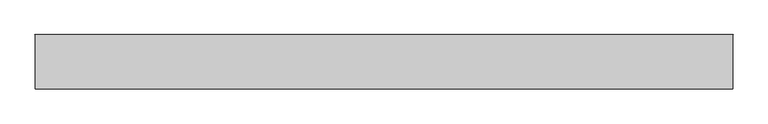
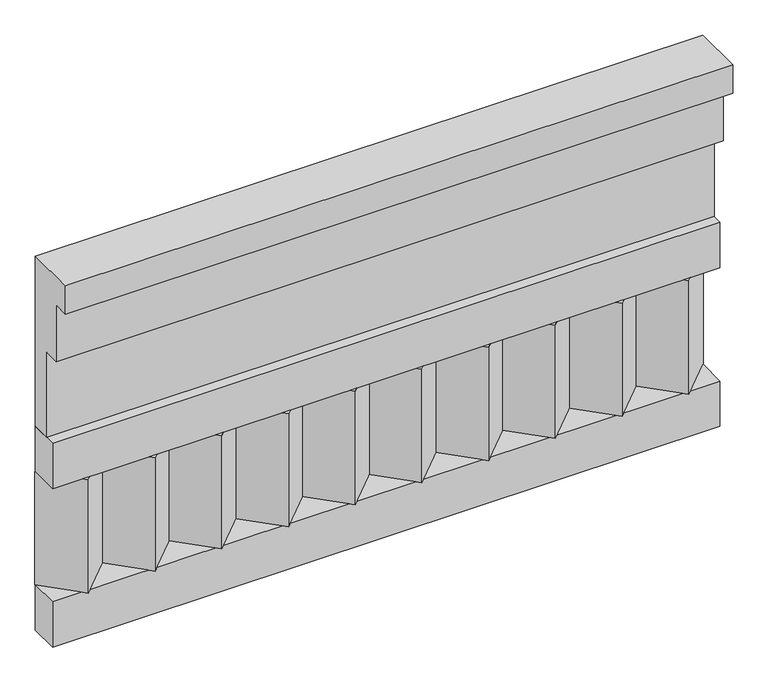
"""IFC4 building model written with IfcOpenShell, lengths in millimetres: railing geometry."""

from ifc_helpers import new_model, si_unit, frame, origin, place, context, project, spatial, polyline, outline, extrude, source, transform, mapped, element, save


def railing_bbb2165e(model_context):
    return source(origin(), model_context, "Body", "SweptSolid", [
        extrude(outline(polyline([(-16816.8920513, 21800.0), (-16816.8920513, 21350.0), (-16866.8920513, 21350.0), (-16866.8920513, 21575.0), (-16906.8920513, 21575.0), (-16906.8920513, 21725.0), (-16946.8920513, 21725.0), (-16946.8920513, 21800.0), (-16816.8920513, 21800.0)])), frame((-5539.9887159, 0.0, 0.0), z_axis=(1.0, 0.0, 0.0), x_axis=(0.0, 1.0, 0.0)), (0.0, 0.0, 1.0), 1670.0),
        extrude(outline(polyline([(-5539.9887159, -16891.8920513), (-5539.9887159, -16816.8920513), (-3869.9887159, -16816.8920513), (-3869.9887159, -16891.8920513), (-5539.9887159, -16891.8920513)])), frame((0.0, 0.0, 21230.0), z_axis=(0.0, 0.0, 1.0), x_axis=(1.0, 0.0, 0.0)), (0.0, 0.0, 1.0), 120.0),
        extrude(outline(polyline([(-5539.9887159, -16891.8920513), (-5539.9887159, -16816.8920513), (-3869.9887159, -16816.8920513), (-3869.9887159, -16891.8920513), (-5539.9887159, -16891.8920513)])), frame((0.0, 0.0, 20810.0), z_axis=(0.0, 0.0, 1.0), x_axis=(1.0, 0.0, 0.0)), (0.0, 0.0, 1.0), 120.0),
        extrude(outline(polyline([(-3953.4887159, -16901.7448651), (-4038.3415296, -16816.8920513), (-3868.6359022, -16816.8920513), (-3953.4887159, -16901.7448651)])), frame((0.0, 0.0, 20930.0), z_axis=(0.0, 0.0, 1.0), x_axis=(1.0, 0.0, 0.0)), (0.0, 0.0, 1.0), 300.0),
        extrude(outline(polyline([(-4120.4887159, -16901.7448651), (-4205.3415296, -16816.8920513), (-4035.6359022, -16816.8920513), (-4120.4887159, -16901.7448651)])), frame((0.0, 0.0, 20930.0), z_axis=(0.0, 0.0, 1.0), x_axis=(1.0, 0.0, 0.0)), (0.0, 0.0, 1.0), 300.0),
        extrude(outline(polyline([(-4287.4887159, -16901.7448651), (-4372.3415296, -16816.8920513), (-4202.6359022, -16816.8920513), (-4287.4887159, -16901.7448651)])), frame((0.0, 0.0, 20930.0), z_axis=(0.0, 0.0, 1.0), x_axis=(1.0, 0.0, 0.0)), (0.0, 0.0, 1.0), 300.0),
        extrude(outline(polyline([(-4454.4887159, -16901.7448651), (-4539.3415296, -16816.8920513), (-4369.6359022, -16816.8920513), (-4454.4887159, -16901.7448651)])), frame((0.0, 0.0, 20930.0), z_axis=(0.0, 0.0, 1.0), x_axis=(1.0, 0.0, 0.0)), (0.0, 0.0, 1.0), 300.0),
        extrude(outline(polyline([(-4621.4887159, -16901.7448651), (-4706.3415296, -16816.8920513), (-4536.6359022, -16816.8920513), (-4621.4887159, -16901.7448651)])), frame((0.0, 0.0, 20930.0), z_axis=(0.0, 0.0, 1.0), x_axis=(1.0, 0.0, 0.0)), (0.0, 0.0, 1.0), 300.0),
        extrude(outline(polyline([(-4788.4887159, -16901.7448651), (-4873.3415296, -16816.8920513), (-4703.6359022, -16816.8920513), (-4788.4887159, -16901.7448651)])), frame((0.0, 0.0, 20930.0), z_axis=(0.0, 0.0, 1.0), x_axis=(1.0, 0.0, 0.0)), (0.0, 0.0, 1.0), 300.0),
        extrude(outline(polyline([(-4955.4887159, -16901.7448651), (-5040.3415296, -16816.8920513), (-4870.6359022, -16816.8920513), (-4955.4887159, -16901.7448651)])), frame((0.0, 0.0, 20930.0), z_axis=(0.0, 0.0, 1.0), x_axis=(1.0, 0.0, 0.0)), (0.0, 0.0, 1.0), 300.0),
        extrude(outline(polyline([(-5122.4887159, -16901.7448651), (-5207.3415296, -16816.8920513), (-5037.6359022, -16816.8920513), (-5122.4887159, -16901.7448651)])), frame((0.0, 0.0, 20930.0), z_axis=(0.0, 0.0, 1.0), x_axis=(1.0, 0.0, 0.0)), (0.0, 0.0, 1.0), 300.0),
        extrude(outline(polyline([(-5289.4887159, -16901.7448651), (-5374.3415296, -16816.8920513), (-5204.6359022, -16816.8920513), (-5289.4887159, -16901.7448651)])), frame((0.0, 0.0, 20930.0), z_axis=(0.0, 0.0, 1.0), x_axis=(1.0, 0.0, 0.0)), (0.0, 0.0, 1.0), 300.0),
        extrude(outline(polyline([(-5456.4887159, -16901.7448651), (-5541.3415296, -16816.8920513), (-5371.6359022, -16816.8920513), (-5456.4887159, -16901.7448651)])), frame((0.0, 0.0, 20930.0), z_axis=(0.0, 0.0, 1.0), x_axis=(1.0, 0.0, 0.0)), (0.0, 0.0, 1.0), 300.0),
    ])


if __name__ == "__main__":
    model = new_model("IFC4")
    model_context = context("Model", 3, world=origin())
    ifc_project = project(units=[si_unit("LENGTHUNIT", "METRE", prefix="MILLI")], contexts=[model_context])
    site = spatial("IfcSite", under=ifc_project)
    building = spatial("IfcBuilding", under=site)
    placement = place(None, origin())
    railing_shape = railing_bbb2165e(model_context)
    element("IfcRailing", 1, at=placement, inside=building, context=model_context, shape_type="MappedRepresentation", body=[
        mapped(railing_shape, transform((0.0, 0.0, 0.0), x_axis=(1.0, 0.0, 0.0), y_axis=(0.0, 1.0, 0.0), z_axis=(0.0, 0.0, 1.0))),
    ])
    save(model, "model.ifc")
